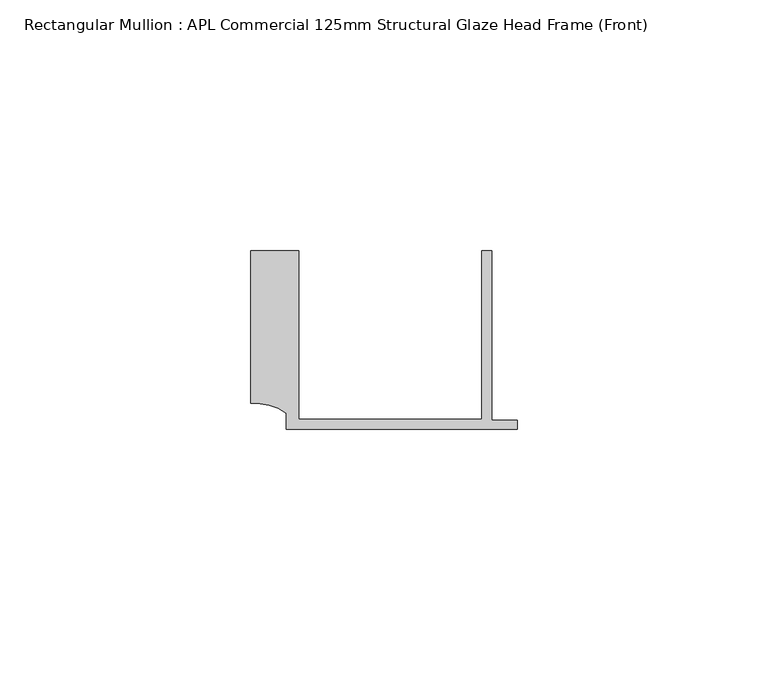
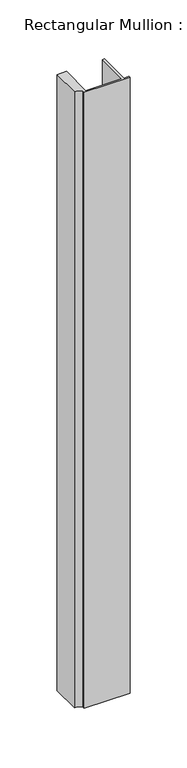
"""IFC4 building model written with IfcOpenShell, lengths in millimetres: member geometry, Rectangular Mullion : APL Commercial 125mm Structural Glaze Head Frame (Front)."""

from ifc_helpers import new_model, si_unit, point, frame, frame_2d, origin, place, context, project, spatial, polyline, circle_curve, trimmed, segment, composite_curve, outline, extrude, source, transform, mapped, element, save


def rectangular_mullion_apl_commercial_125mm_structural_glaze_19637774(model_context):
    return source(origin(), model_context, "Body", "SweptSolid", [
        extrude(outline(composite_curve([segment(polyline([(-52.9999542, 15.0), (-43.5000151, 15.0), (-43.5000151, -18.5002486), (-7.0, -18.5002486), (-7.0, 15.0), (-5.0, 15.0), (-5.0, -18.7002486), (0.0, -18.7002486), (0.0, -20.5002486), (-45.9999994, -20.5002486), (-45.9999994, -17.3126154)]), True, "CONTINUOUS"), segment(trimmed(circle_curve(frame_2d((-52.109817, -25.7982641)), 10.4563907), [point((-45.9999994, -17.3126154))], [point((-52.9999542, -15.3798304))], True, "CARTESIAN"), True, "CONTINUOUS"), segment(polyline([(-52.9999542, -15.3798304), (-52.9999542, 15.0)]), True, "CONTINUOUS")], self_intersect=False)), frame((0.0, 0.0, -657.1423128), z_axis=(0.0, 0.0, 1.0), x_axis=(1.0, 0.0, 0.0)), (0.0, 0.0, 1.0), 657.1423128),
    ])


if __name__ == "__main__":
    model = new_model("IFC4")
    model_context = context("Model", 3, world=origin())
    ifc_project = project(units=[si_unit("LENGTHUNIT", "METRE", prefix="MILLI")], contexts=[model_context])
    site = spatial("IfcSite", under=ifc_project)
    building = spatial("IfcBuilding", under=site)
    placement = place(None, origin())
    rectangular_mullion_apl_commercial_125mm_structural_glaze_shape = rectangular_mullion_apl_commercial_125mm_structural_glaze_19637774(model_context)
    element("IfcMember", 1, ObjectType="Rectangular Mullion : APL Commercial 125mm Structural Glaze Head Frame (Front)", at=placement, inside=building, context=model_context, shape_type="MappedRepresentation", body=[
        mapped(rectangular_mullion_apl_commercial_125mm_structural_glaze_shape, transform((0.0, 0.0, 0.0), x_axis=(1.0, 0.0, 0.0), y_axis=(0.0, 1.0, 0.0), z_axis=(0.0, 0.0, 1.0))),
    ])
    save(model, "model.ifc")
